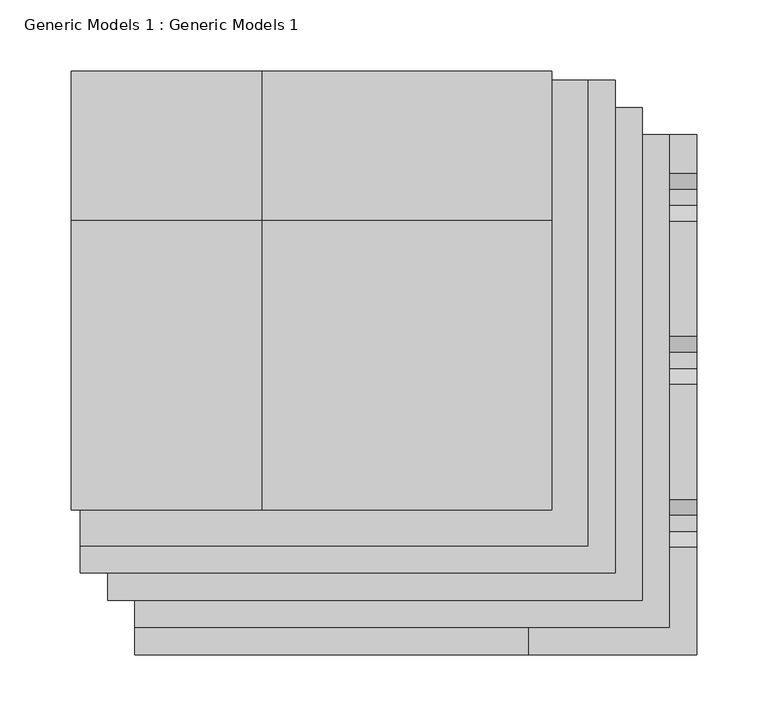
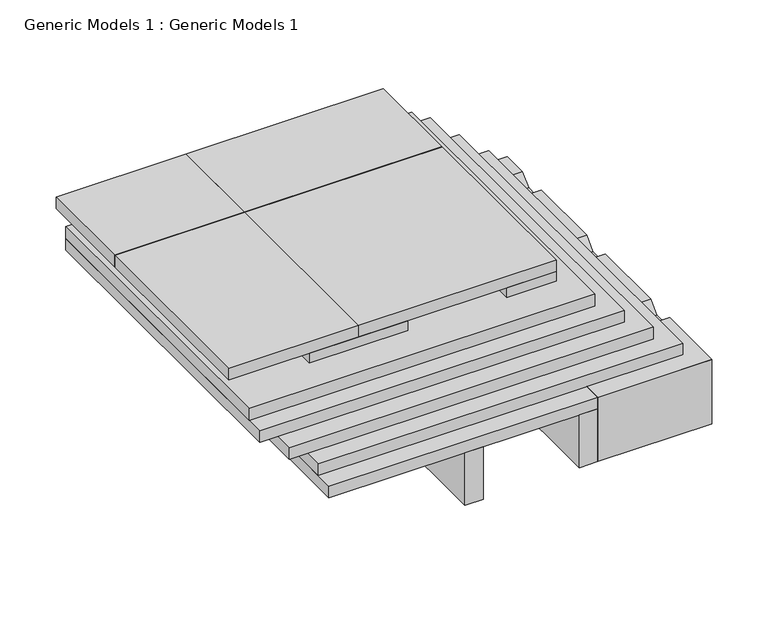
"""IFC4 building model written with IfcOpenShell, lengths in millimetres: proxy geometry, Generic Models 1 : Generic Models 1."""

from ifc_helpers import new_model, si_unit, frame, origin, place, context, project, spatial, polyline, outline, extrude, source, transform, mapped, element, save


def generic_models_1_generic_models_1_f23d8056(model_context):
    return source(origin(), model_context, "Body", "SweptSolid", [
        extrude(outline(polyline([(88.9, 355.6), (190.5, 355.6), (190.5, 254.0), (88.9, 254.0), (88.9, 355.6)])), frame((0.0, 0.0, 160.734375), z_axis=(0.0, 0.0, 1.0), x_axis=(1.0, 0.0, 0.0)), (0.0, 0.0, 1.0), 10.31875),
        extrude(outline(polyline([(-146.05, 408.9788588), (-12.7, 408.9788588), (-12.7, 304.8), (-146.05, 304.8), (-146.05, 408.9788588)])), frame((0.0, 0.0, 171.053125), z_axis=(0.0, 0.0, 1.0), x_axis=(1.0, 0.0, 0.0)), (0.0, 0.0, 1.0), 12.7),
        extrude(outline(polyline([(-12.7, 408.9788588), (190.5, 408.9788588), (190.5, 304.8), (-12.7, 304.8), (-12.7, 408.9788588)])), frame((0.0, 0.0, 171.053125), z_axis=(0.0, 0.0, 1.0), x_axis=(1.0, 0.0, 0.0)), (0.0, 0.0, 1.0), 12.7),
        extrude(outline(polyline([(-63.5, 203.2), (38.1, 203.2), (38.1, 101.6), (-63.5, 101.6), (-63.5, 203.2)])), frame((0.0, 0.0, 160.734375), z_axis=(0.0, 0.0, 1.0), x_axis=(1.0, 0.0, 0.0)), (0.0, 0.0, 1.0), 10.31875),
        extrude(outline(polyline([(-146.05, 304.8), (-12.7, 304.8), (-12.7, 101.6), (-146.05, 101.6), (-146.05, 304.8)])), frame((0.0, 0.0, 171.053125), z_axis=(0.0, 0.0, 1.0), x_axis=(1.0, 0.0, 0.0)), (0.0, 0.0, 1.0), 12.7),
        extrude(outline(polyline([(139.7, 152.4), (190.5, 152.4), (190.5, 101.6), (139.7, 101.6), (139.7, 152.4)])), frame((0.0, 0.0, 160.734375), z_axis=(0.0, 0.0, 1.0), x_axis=(1.0, 0.0, 0.0)), (0.0, 0.0, 1.0), 10.31875),
        extrude(outline(polyline([(-139.7, 402.6288588), (215.9, 402.6288588), (215.9, 76.2), (-139.7, 76.2), (-139.7, 402.6288588)])), frame((0.0, 0.0, 140.49375), z_axis=(0.0, 0.0, 1.0), x_axis=(1.0, 0.0, 0.0)), (0.0, 0.0, 1.0), 12.7),
        extrude(outline(polyline([(-139.7, 402.6288588), (234.95, 402.6288588), (234.95, 57.15), (-139.7, 57.15), (-139.7, 402.6288588)])), frame((0.0, 0.0, 127.79375), z_axis=(0.0, 0.0, 1.0), x_axis=(1.0, 0.0, 0.0)), (0.0, 0.0, 1.0), 12.7),
        extrude(outline(polyline([(-120.65, 383.5788588), (254.0, 383.5788588), (254.0, 38.1), (-120.65, 38.1), (-120.65, 383.5788588)])), frame((0.0, 0.0, 114.3), z_axis=(0.0, 0.0, 1.0), x_axis=(1.0, 0.0, 0.0)), (0.0, 0.0, 1.0), 12.7),
        extrude(outline(polyline([(228.670593, 44.45), (196.920593, 76.2), (201.410721, 76.2), (231.845593, 45.7651281), (262.2804649, 76.2), (266.770593, 76.2), (235.020593, 44.45), (228.670593, 44.45)])), frame((287.3375, 0.0, 0.0), z_axis=(1.0, 0.0, 0.0), x_axis=(0.0, 1.0, 0.0)), (0.0, 0.0, 1.0), 3.175),
        extrude(outline(polyline([(110.7911863, 44.45), (79.0411863, 76.2), (83.5313144, 76.2), (113.9661863, 45.7651281), (144.4010583, 76.2), (148.8911863, 76.2), (117.1411863, 44.45), (110.7911863, 44.45)])), frame((287.3375, 0.0, 0.0), z_axis=(1.0, 0.0, 0.0), x_axis=(0.0, 1.0, 0.0)), (0.0, 0.0, 1.0), 3.175),
        extrude(outline(polyline([(364.5288588, 88.9), (364.5288588, 76.2), (25.4, 76.2), (12.7, 88.9), (364.5288588, 88.9)])), frame((285.75, 0.0, 0.0), z_axis=(1.0, 0.0, 0.0), x_axis=(0.0, 1.0, 0.0)), (0.0, 0.0, 1.0), 6.35),
        extrude(outline(polyline([(364.5288588, 31.75), (69.85, 31.75), (57.15, 44.45), (364.5288588, 44.45), (364.5288588, 31.75)])), frame((285.75, 0.0, 0.0), z_axis=(1.0, 0.0, 0.0), x_axis=(0.0, 1.0, 0.0)), (0.0, 0.0, 1.0), 6.35),
        extrude(outline(polyline([(75.3364053, 101.6), (86.4489053, 90.4875), (97.8337772, 90.4875), (108.9462772, 101.6), (189.6364053, 101.6), (200.7489053, 90.4875), (212.1337772, 90.4875), (223.2462772, 101.6), (303.9364053, 101.6), (315.0489053, 90.4875), (326.4337772, 90.4875), (337.5462772, 101.6), (364.5288588, 101.6), (364.5288588, 100.0125), (338.2038412, 100.0125), (327.0913412, 88.9), (314.3913412, 88.9), (303.2788412, 100.0125), (223.9038412, 100.0125), (212.7913412, 88.9), (200.0913412, 88.9), (188.9788412, 100.0125), (109.6038412, 100.0125), (98.4913412, 88.9), (85.7913412, 88.9), (74.6788412, 100.0125), (1.5875, 100.0125), (0.0, 101.6), (75.3364053, 101.6)])), frame((174.625, 0.0, 0.0), z_axis=(1.0, 0.0, 0.0), x_axis=(0.0, 1.0, 0.0)), (0.0, 0.0, 1.0), 117.475),
        extrude(outline(polyline([(0.0, 31.75), (0.0, 101.6), (69.85, 31.75), (0.0, 31.75)])), frame((174.625, 0.0, 0.0), z_axis=(1.0, 0.0, 0.0), x_axis=(0.0, 1.0, 0.0)), (0.0, 0.0, 1.0), 117.475),
        extrude(outline(polyline([(-12.7, 304.8), (190.5, 304.8), (190.5, 101.6), (-12.7, 101.6), (-12.7, 304.8)])), frame((0.0, 0.0, 171.053125), z_axis=(0.0, 0.0, 1.0), x_axis=(1.0, 0.0, 0.0)), (0.0, 0.0, 1.0), 12.7),
        extrude(outline(polyline([(-101.6, 364.5288588), (273.05, 364.5288588), (273.05, 19.05), (-101.6, 19.05), (-101.6, 364.5288588)])), frame((0.0, 0.0, 101.6), z_axis=(0.0, 0.0, 1.0), x_axis=(1.0, 0.0, 0.0)), (0.0, 0.0, 1.0), 12.7),
        extrude(outline(polyline([(57.15, 0.0), (38.1, 0.0), (38.1, 261.3017557), (57.15, 261.3017557), (57.15, 0.0)])), frame((0.0, 0.0, 31.75), z_axis=(0.0, 0.0, 1.0), x_axis=(1.0, 0.0, 0.0)), (0.0, 0.0, 1.0), 57.15),
        extrude(outline(polyline([(174.625, 0.0), (155.575, 0.0), (155.575, 261.3017557), (174.625, 261.3017557), (174.625, 0.0)])), frame((0.0, 0.0, 31.75), z_axis=(0.0, 0.0, 1.0), x_axis=(1.0, 0.0, 0.0)), (0.0, 0.0, 1.0), 57.15),
        extrude(outline(polyline([(-101.6, 364.5288588), (174.625, 364.5288588), (174.625, 0.0), (-101.6, 0.0), (-101.6, 364.5288588)])), frame((0.0, 0.0, 88.9), z_axis=(0.0, 0.0, 1.0), x_axis=(1.0, 0.0, 0.0)), (0.0, 0.0, 1.0), 12.7),
    ])


if __name__ == "__main__":
    model = new_model("IFC4")
    model_context = context("Model", 3, world=origin())
    ifc_project = project(units=[si_unit("LENGTHUNIT", "METRE", prefix="MILLI")], contexts=[model_context])
    site = spatial("IfcSite", under=ifc_project)
    building = spatial("IfcBuilding", under=site)
    placement = place(None, origin())
    generic_models_1_generic_models_1_shape = generic_models_1_generic_models_1_f23d8056(model_context)
    element("IfcBuildingElementProxy", 1, Name="Generic Models 1 : Generic Models 1", ObjectType="Generic Models 1 : Generic Models 1", at=placement, inside=building, context=model_context, shape_type="MappedRepresentation", body=[
        mapped(generic_models_1_generic_models_1_shape, transform((0.0, 0.0, 0.0), x_axis=(1.0, 0.0, 0.0), y_axis=(0.0, 1.0, 0.0), z_axis=(0.0, 0.0, 1.0))),
    ])
    save(model, "model.ifc")
